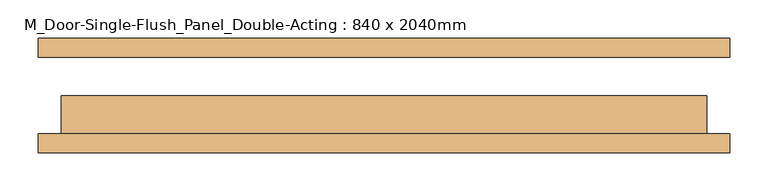
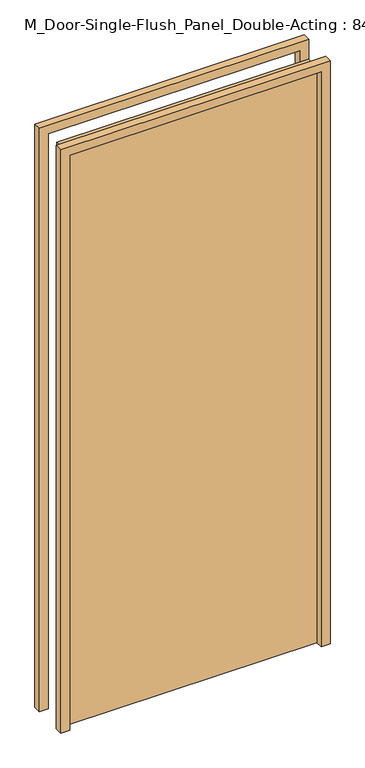
"""IFC4 building model written with IfcOpenShell, lengths in millimetres: door geometry, M_Door-Single-Flush_Panel_Double-Acting : 840 x 2040mm."""

import ifcopenshell
import ifcopenshell.guid

model = None  # the IFC model being written
_history = None  # IfcOwnerHistory: only IFC2X3 demands one
_inside = {}  # id of a spatial element -> (the spatial element, [elements in it])
_under = {}  # id of a project, library or spatial element -> (it, [spatial elements below it])
_declared = {}  # id of a project -> (the project, [libraries it declares])
_typed = {}  # id of a type object -> (the type object, [elements of that type])
_made_of = {}  # id of a material, layer set ... -> (it, [elements and type objects made of it])


def new_model(schema):
    """Start an empty IFC model of exactly this schema.

    Asked for "IFC4X3", IfcOpenShell would pick the latest addendum, in which some entities
    have other attributes; the version numbers below select the first issue.
    IFC2X3 requires an IfcOwnerHistory on every rooted entity: one is made here for all.
    """
    global model, _history
    if schema == "IFC4X3":
        model = ifcopenshell.file(schema_version=(4, 3, 0, 0))
    else:
        model = ifcopenshell.file(schema=schema)
    _inside.clear()
    _under.clear()
    _declared.clear()
    _typed.clear()
    _made_of.clear()
    _history = None
    if model.schema == "IFC2X3":
        org = make("IfcOrganization", Name="unknown")
        user = make(
            "IfcPersonAndOrganization",
            ThePerson=make("IfcPerson", FamilyName="unknown"),
            TheOrganization=org,
        )
        app = make(
            "IfcApplication",
            ApplicationDeveloper=org,
            Version="unknown",
            ApplicationFullName="unknown",
            ApplicationIdentifier="unknown",
        )
        _history = make(
            "IfcOwnerHistory",
            OwningUser=user,
            OwningApplication=app,
            ChangeAction="ADDED",
            CreationDate=0,
        )
    return model


def make(cls, **values):
    """One entity of the class cls with the attributes given. An attribute that is None is left unset."""
    return model.create_entity(
        cls, **{name: value for name, value in values.items() if value is not None}
    )


def rooted(cls, **values):
    """An entity with a GlobalId (a new one), such as an element, a storey or a relation."""
    return make(cls, GlobalId=ifcopenshell.guid.new(), OwnerHistory=_history, **values)


def si_unit(unit_type, name, prefix=None):
    """IfcSIUnit, for example si_unit("LENGTHUNIT", "METRE", prefix="MILLI")."""
    return make("IfcSIUnit", UnitType=unit_type, Prefix=prefix, Name=name)


def assignment(units):
    """IfcUnitAssignment: the units of a project."""
    return None if units is None else make("IfcUnitAssignment", Units=units)


def point(xyz):
    """IfcCartesianPoint."""
    return None if xyz is None else make("IfcCartesianPoint", Coordinates=xyz)


def direction(xyz):
    """IfcDirection."""
    return None if xyz is None else make("IfcDirection", DirectionRatios=xyz)


def frame(location, z_axis=None, x_axis=None):
    """IfcAxis2Placement3D, a coordinate frame: its origin and axes. An axis left out is left unset."""
    return make(
        "IfcAxis2Placement3D",
        Location=point(location),
        Axis=direction(z_axis),
        RefDirection=direction(x_axis),
    )


def origin():
    """The frame at (0, 0, 0) with its axes left unset."""
    return frame((0.0, 0.0, 0.0))


def origin_with_axes():
    """The frame at (0, 0, 0) with the z axis (0, 0, 1) and the x axis (1, 0, 0) written out."""
    return frame((0.0, 0.0, 0.0), z_axis=(0.0, 0.0, 1.0), x_axis=(1.0, 0.0, 0.0))


def place(relative_to, where):
    """IfcLocalPlacement: puts the frame where relative to a parent placement (None: the world)."""
    return make(
        "IfcLocalPlacement", PlacementRelTo=relative_to, RelativePlacement=where
    )


def context(
    kind, dimensions, precision=None, world=None, true_north=None, identifier=None
):
    """IfcGeometricRepresentationContext, for example the 3D "Model" context."""
    return make(
        "IfcGeometricRepresentationContext",
        ContextIdentifier=identifier,
        ContextType=kind,
        CoordinateSpaceDimension=dimensions,
        Precision=precision,
        WorldCoordinateSystem=world,
        TrueNorth=true_north,
    )


def project(units=None, contexts=None):
    """IfcProject with its units and contexts."""
    return rooted(
        "IfcProject",
        Name="project",
        RepresentationContexts=contexts,
        UnitsInContext=assignment(units),
    )


def spatial(cls, under=None, at=None, **own):
    """A site, building, storey or space (cls), placed at a placement, below another one or the project."""
    s = rooted(cls, ObjectPlacement=at, **own)
    if under is not None:
        _under.setdefault(under.id(), (under, []))[1].append(s)
    return s


def polyline(points):
    """IfcPolyline through the points."""
    return make("IfcPolyline", Points=[point(p) for p in points])


def outline(outer, holes=None, kind="AREA"):
    """IfcArbitraryClosedProfileDef: a profile drawn as a closed curve; with holes, ...WithVoids."""
    if holes is None:
        return make("IfcArbitraryClosedProfileDef", ProfileType=kind, OuterCurve=outer)
    return make(
        "IfcArbitraryProfileDefWithVoids",
        ProfileType=kind,
        OuterCurve=outer,
        InnerCurves=holes,
    )


def extrude(swept, where, along, depth):
    """IfcExtrudedAreaSolid: the profile swept, set in the frame where, extruded along a direction by depth."""
    return make(
        "IfcExtrudedAreaSolid",
        SweptArea=swept,
        Position=where,
        ExtrudedDirection=direction(along),
        Depth=depth,
    )


def shape(context_of_items, identifier, shape_type, items):
    """IfcShapeRepresentation: the items that make up one representation, for example the "Body"."""
    return make(
        "IfcShapeRepresentation",
        ContextOfItems=context_of_items,
        RepresentationIdentifier=identifier,
        RepresentationType=shape_type,
        Items=items,
    )


def source(mapping_origin, context_of_items, identifier, shape_type, items):
    """IfcRepresentationMap: a shape defined once, which mapped items show again and again."""
    return make(
        "IfcRepresentationMap",
        MappingOrigin=mapping_origin,
        MappedRepresentation=shape(context_of_items, identifier, shape_type, items),
    )


def transform(
    local_origin,
    x_axis=None,
    y_axis=None,
    z_axis=None,
    scale=None,
    scale2=None,
    scale3=None,
    uniform=True,
):
    """IfcCartesianTransformationOperator3D, or its non-uniform kind. x_axis, y_axis, z_axis: its Axis1, 2, 3."""
    if uniform:
        return make(
            "IfcCartesianTransformationOperator3D",
            Axis1=direction(x_axis),
            Axis2=direction(y_axis),
            LocalOrigin=point(local_origin),
            Scale=scale,
            Axis3=direction(z_axis),
        )
    return make(
        "IfcCartesianTransformationOperator3DnonUniform",
        Axis1=direction(x_axis),
        Axis2=direction(y_axis),
        LocalOrigin=point(local_origin),
        Scale=scale,
        Axis3=direction(z_axis),
        Scale2=scale2,
        Scale3=scale3,
    )


def mapped(mapping_source, mapping_target):
    """IfcMappedItem: shows the shape of a source again, moved by a transform."""
    return make(
        "IfcMappedItem", MappingSource=mapping_source, MappingTarget=mapping_target
    )


def made_of(thing, what):
    """Note that an element or type object is made of a material, layer set ...; save() writes the relation."""
    if what is not None:
        _made_of.setdefault(what.id(), (what, []))[1].append(thing)
    return thing


def element(
    cls,
    number,
    at=None,
    inside=None,
    cuts=None,
    type_object=None,
    material=None,
    context=None,
    identifier="Body",
    shape_type=None,
    held_by="IfcProductDefinitionShape",
    body=None,
    shapes=None,
    **own,
):
    """One element of the class cls, such as IfcWall. Its Tag is "e" and its number.

    at: its placement. inside: the storey or other place that contains it. cuts: it is an
    opening in that element (IfcRelVoidsElement). A single representation is given by context,
    identifier, shape_type and body (its items); several are given by shapes. held_by: the class
    of the entity that holds the representations. save() writes the other relations.
    """
    e = rooted(cls, Tag="e%d" % number, ObjectPlacement=at, **own)
    if body is not None:
        shapes = [shape(context, identifier, shape_type, body)]
    if shapes is not None:
        e.Representation = make(held_by, Representations=shapes)
    if inside is not None:
        _inside.setdefault(inside.id(), (inside, []))[1].append(e)
    if cuts is not None:
        rooted(
            "IfcRelVoidsElement", RelatingBuildingElement=cuts, RelatedOpeningElement=e
        )
    if type_object is not None:
        _typed.setdefault(type_object.id(), (type_object, []))[1].append(e)
    return made_of(e, material)


def aggregate(whole, parts):
    """IfcRelAggregates: a whole, such as a stair, and the parts it consists of."""
    return rooted("IfcRelAggregates", RelatingObject=whole, RelatedObjects=parts)


def save(model, path):
    """Write the relations noted so far, then the file.

    IfcRelAggregates (storeys below a building ...), IfcRelContainedInSpatialStructure (elements
    in a storey), IfcRelDefinesByType, IfcRelAssociatesMaterial and IfcRelDeclares: one each for
    every whole, place, type object, material and project.
    """
    for whole, parts in _under.values():
        aggregate(whole, parts)
    for where, things in _inside.values():
        rooted(
            "IfcRelContainedInSpatialStructure",
            RelatedElements=things,
            RelatingStructure=where,
        )
    for kind, things in _typed.values():
        rooted("IfcRelDefinesByType", RelatedObjects=things, RelatingType=kind)
    for what, things in _made_of.values():
        rooted("IfcRelAssociatesMaterial", RelatedObjects=things, RelatingMaterial=what)
    for by, libraries in _declared.values():
        rooted("IfcRelDeclares", RelatingContext=by, RelatedDefinitions=libraries)
    model.write(path)


def m_door_single_flush_panel_double_acting_840_x_2040mm_fe4e655a(model_context):
    return source(origin(), model_context, "Body", "SweptSolid", [
        extrude(outline(polyline([(422.0, 0.0), (422.0, -50.0), (-422.0, -50.0), (-422.0, 0.0), (422.0, 0.0)])), origin_with_axes(), (0.0, 0.0, 1.0), 2040.0),
        extrude(outline(polyline([(0.0, -422.0), (2040.0, -422.0), (2040.0, 422.0), (0.0, 422.0), (0.0, 452.0), (2070.0, 452.0), (2070.0, -452.0), (0.0, -452.0), (0.0, -422.0)])), frame((0.0, -75.0, 0.0), z_axis=(0.0, 1.0, 0.0), x_axis=(0.0, 0.0, 1.0)), (0.0, 0.0, 1.0), 25.0),
        extrude(outline(polyline([(0.0, 422.0), (0.0, 452.0), (2070.0, 452.0), (2070.0, -452.0), (0.0, -452.0), (0.0, -422.0), (2040.0, -422.0), (2040.0, 422.0), (0.0, 422.0)])), frame((0.0, 50.0, 0.0), z_axis=(0.0, 1.0, 0.0), x_axis=(0.0, 0.0, 1.0)), (0.0, 0.0, 1.0), 25.0),
    ])


if __name__ == "__main__":
    model = new_model("IFC4")
    model_context = context("Model", 3, world=origin())
    ifc_project = project(units=[si_unit("LENGTHUNIT", "METRE", prefix="MILLI")], contexts=[model_context])
    site = spatial("IfcSite", under=ifc_project)
    building = spatial("IfcBuilding", under=site)
    placement = place(None, origin())
    m_door_single_flush_panel_double_acting_840_x_2040mm_shape = m_door_single_flush_panel_double_acting_840_x_2040mm_fe4e655a(model_context)
    element("IfcDoor", 1, ObjectType="M_Door-Single-Flush_Panel_Double-Acting : 840 x 2040mm", at=placement, inside=building, context=model_context, shape_type="MappedRepresentation", body=[
        mapped(m_door_single_flush_panel_double_acting_840_x_2040mm_shape, transform((0.0, 0.0, 0.0), x_axis=(1.0, 0.0, 0.0), y_axis=(0.0, 1.0, 0.0), z_axis=(0.0, 0.0, 1.0))),
    ])
    save(model, "model.ifc")
